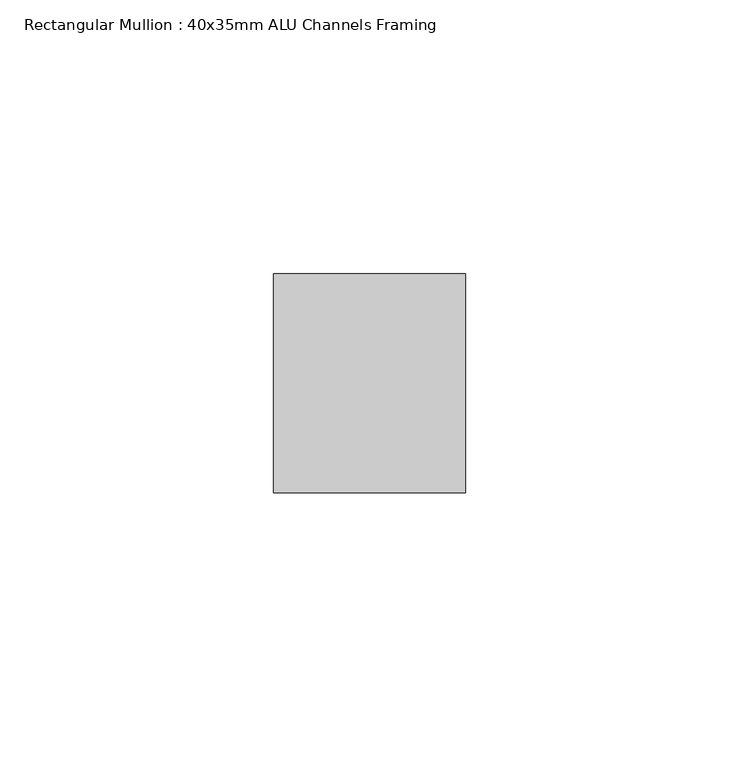
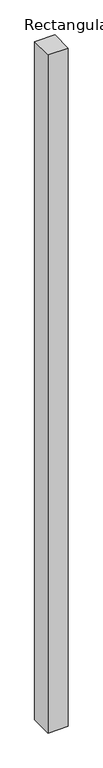
"""IFC4 building model written with IfcOpenShell, lengths in millimetres: member geometry, Rectangular Mullion : 40x35mm ALU Channels Framing."""

import ifcopenshell
import ifcopenshell.guid

model = None  # the IFC model being written
_history = None  # IfcOwnerHistory: only IFC2X3 demands one
_inside = {}  # id of a spatial element -> (the spatial element, [elements in it])
_under = {}  # id of a project, library or spatial element -> (it, [spatial elements below it])
_declared = {}  # id of a project -> (the project, [libraries it declares])
_typed = {}  # id of a type object -> (the type object, [elements of that type])
_made_of = {}  # id of a material, layer set ... -> (it, [elements and type objects made of it])


def new_model(schema):
    """Start an empty IFC model of exactly this schema.

    Asked for "IFC4X3", IfcOpenShell would pick the latest addendum, in which some entities
    have other attributes; the version numbers below select the first issue.
    IFC2X3 requires an IfcOwnerHistory on every rooted entity: one is made here for all.
    """
    global model, _history
    if schema == "IFC4X3":
        model = ifcopenshell.file(schema_version=(4, 3, 0, 0))
    else:
        model = ifcopenshell.file(schema=schema)
    _inside.clear()
    _under.clear()
    _declared.clear()
    _typed.clear()
    _made_of.clear()
    _history = None
    if model.schema == "IFC2X3":
        org = make("IfcOrganization", Name="unknown")
        user = make(
            "IfcPersonAndOrganization",
            ThePerson=make("IfcPerson", FamilyName="unknown"),
            TheOrganization=org,
        )
        app = make(
            "IfcApplication",
            ApplicationDeveloper=org,
            Version="unknown",
            ApplicationFullName="unknown",
            ApplicationIdentifier="unknown",
        )
        _history = make(
            "IfcOwnerHistory",
            OwningUser=user,
            OwningApplication=app,
            ChangeAction="ADDED",
            CreationDate=0,
        )
    return model


def make(cls, **values):
    """One entity of the class cls with the attributes given. An attribute that is None is left unset."""
    return model.create_entity(
        cls, **{name: value for name, value in values.items() if value is not None}
    )


def rooted(cls, **values):
    """An entity with a GlobalId (a new one), such as an element, a storey or a relation."""
    return make(cls, GlobalId=ifcopenshell.guid.new(), OwnerHistory=_history, **values)


def si_unit(unit_type, name, prefix=None):
    """IfcSIUnit, for example si_unit("LENGTHUNIT", "METRE", prefix="MILLI")."""
    return make("IfcSIUnit", UnitType=unit_type, Prefix=prefix, Name=name)


def assignment(units):
    """IfcUnitAssignment: the units of a project."""
    return None if units is None else make("IfcUnitAssignment", Units=units)


def point(xyz):
    """IfcCartesianPoint."""
    return None if xyz is None else make("IfcCartesianPoint", Coordinates=xyz)


def direction(xyz):
    """IfcDirection."""
    return None if xyz is None else make("IfcDirection", DirectionRatios=xyz)


def frame(location, z_axis=None, x_axis=None):
    """IfcAxis2Placement3D, a coordinate frame: its origin and axes. An axis left out is left unset."""
    return make(
        "IfcAxis2Placement3D",
        Location=point(location),
        Axis=direction(z_axis),
        RefDirection=direction(x_axis),
    )


def origin():
    """The frame at (0, 0, 0) with its axes left unset."""
    return frame((0.0, 0.0, 0.0))


def place(relative_to, where):
    """IfcLocalPlacement: puts the frame where relative to a parent placement (None: the world)."""
    return make(
        "IfcLocalPlacement", PlacementRelTo=relative_to, RelativePlacement=where
    )


def context(
    kind, dimensions, precision=None, world=None, true_north=None, identifier=None
):
    """IfcGeometricRepresentationContext, for example the 3D "Model" context."""
    return make(
        "IfcGeometricRepresentationContext",
        ContextIdentifier=identifier,
        ContextType=kind,
        CoordinateSpaceDimension=dimensions,
        Precision=precision,
        WorldCoordinateSystem=world,
        TrueNorth=true_north,
    )


def project(units=None, contexts=None):
    """IfcProject with its units and contexts."""
    return rooted(
        "IfcProject",
        Name="project",
        RepresentationContexts=contexts,
        UnitsInContext=assignment(units),
    )


def spatial(cls, under=None, at=None, **own):
    """A site, building, storey or space (cls), placed at a placement, below another one or the project."""
    s = rooted(cls, ObjectPlacement=at, **own)
    if under is not None:
        _under.setdefault(under.id(), (under, []))[1].append(s)
    return s


def polyline(points):
    """IfcPolyline through the points."""
    return make("IfcPolyline", Points=[point(p) for p in points])


def outline(outer, holes=None, kind="AREA"):
    """IfcArbitraryClosedProfileDef: a profile drawn as a closed curve; with holes, ...WithVoids."""
    if holes is None:
        return make("IfcArbitraryClosedProfileDef", ProfileType=kind, OuterCurve=outer)
    return make(
        "IfcArbitraryProfileDefWithVoids",
        ProfileType=kind,
        OuterCurve=outer,
        InnerCurves=holes,
    )


def extrude(swept, where, along, depth):
    """IfcExtrudedAreaSolid: the profile swept, set in the frame where, extruded along a direction by depth."""
    return make(
        "IfcExtrudedAreaSolid",
        SweptArea=swept,
        Position=where,
        ExtrudedDirection=direction(along),
        Depth=depth,
    )


def shape(context_of_items, identifier, shape_type, items):
    """IfcShapeRepresentation: the items that make up one representation, for example the "Body"."""
    return make(
        "IfcShapeRepresentation",
        ContextOfItems=context_of_items,
        RepresentationIdentifier=identifier,
        RepresentationType=shape_type,
        Items=items,
    )


def source(mapping_origin, context_of_items, identifier, shape_type, items):
    """IfcRepresentationMap: a shape defined once, which mapped items show again and again."""
    return make(
        "IfcRepresentationMap",
        MappingOrigin=mapping_origin,
        MappedRepresentation=shape(context_of_items, identifier, shape_type, items),
    )


def transform(
    local_origin,
    x_axis=None,
    y_axis=None,
    z_axis=None,
    scale=None,
    scale2=None,
    scale3=None,
    uniform=True,
):
    """IfcCartesianTransformationOperator3D, or its non-uniform kind. x_axis, y_axis, z_axis: its Axis1, 2, 3."""
    if uniform:
        return make(
            "IfcCartesianTransformationOperator3D",
            Axis1=direction(x_axis),
            Axis2=direction(y_axis),
            LocalOrigin=point(local_origin),
            Scale=scale,
            Axis3=direction(z_axis),
        )
    return make(
        "IfcCartesianTransformationOperator3DnonUniform",
        Axis1=direction(x_axis),
        Axis2=direction(y_axis),
        LocalOrigin=point(local_origin),
        Scale=scale,
        Axis3=direction(z_axis),
        Scale2=scale2,
        Scale3=scale3,
    )


def mapped(mapping_source, mapping_target):
    """IfcMappedItem: shows the shape of a source again, moved by a transform."""
    return make(
        "IfcMappedItem", MappingSource=mapping_source, MappingTarget=mapping_target
    )


def made_of(thing, what):
    """Note that an element or type object is made of a material, layer set ...; save() writes the relation."""
    if what is not None:
        _made_of.setdefault(what.id(), (what, []))[1].append(thing)
    return thing


def element(
    cls,
    number,
    at=None,
    inside=None,
    cuts=None,
    type_object=None,
    material=None,
    context=None,
    identifier="Body",
    shape_type=None,
    held_by="IfcProductDefinitionShape",
    body=None,
    shapes=None,
    **own,
):
    """One element of the class cls, such as IfcWall. Its Tag is "e" and its number.

    at: its placement. inside: the storey or other place that contains it. cuts: it is an
    opening in that element (IfcRelVoidsElement). A single representation is given by context,
    identifier, shape_type and body (its items); several are given by shapes. held_by: the class
    of the entity that holds the representations. save() writes the other relations.
    """
    e = rooted(cls, Tag="e%d" % number, ObjectPlacement=at, **own)
    if body is not None:
        shapes = [shape(context, identifier, shape_type, body)]
    if shapes is not None:
        e.Representation = make(held_by, Representations=shapes)
    if inside is not None:
        _inside.setdefault(inside.id(), (inside, []))[1].append(e)
    if cuts is not None:
        rooted(
            "IfcRelVoidsElement", RelatingBuildingElement=cuts, RelatedOpeningElement=e
        )
    if type_object is not None:
        _typed.setdefault(type_object.id(), (type_object, []))[1].append(e)
    return made_of(e, material)


def aggregate(whole, parts):
    """IfcRelAggregates: a whole, such as a stair, and the parts it consists of."""
    return rooted("IfcRelAggregates", RelatingObject=whole, RelatedObjects=parts)


def save(model, path):
    """Write the relations noted so far, then the file.

    IfcRelAggregates (storeys below a building ...), IfcRelContainedInSpatialStructure (elements
    in a storey), IfcRelDefinesByType, IfcRelAssociatesMaterial and IfcRelDeclares: one each for
    every whole, place, type object, material and project.
    """
    for whole, parts in _under.values():
        aggregate(whole, parts)
    for where, things in _inside.values():
        rooted(
            "IfcRelContainedInSpatialStructure",
            RelatedElements=things,
            RelatingStructure=where,
        )
    for kind, things in _typed.values():
        rooted("IfcRelDefinesByType", RelatedObjects=things, RelatingType=kind)
    for what, things in _made_of.values():
        rooted("IfcRelAssociatesMaterial", RelatedObjects=things, RelatingMaterial=what)
    for by, libraries in _declared.values():
        rooted("IfcRelDeclares", RelatingContext=by, RelatedDefinitions=libraries)
    model.write(path)


def rectangular_mullion_40x35mm_alu_channels_framing_9eba863e(model_context):
    return source(origin(), model_context, "Body", "SweptSolid", [
        extrude(outline(polyline([(17.5, 20.0), (17.5, -20.0), (-17.5, -20.0), (-17.5, 20.0), (17.5, 20.0)])), frame((0.0, 0.0, -1247.5), z_axis=(0.0, 0.0, 1.0), x_axis=(1.0, 0.0, 0.0)), (0.0, 0.0, 1.0), 1247.5),
    ])


if __name__ == "__main__":
    model = new_model("IFC4")
    model_context = context("Model", 3, world=origin())
    ifc_project = project(units=[si_unit("LENGTHUNIT", "METRE", prefix="MILLI")], contexts=[model_context])
    site = spatial("IfcSite", under=ifc_project)
    building = spatial("IfcBuilding", under=site)
    placement = place(None, origin())
    rectangular_mullion_40x35mm_alu_channels_framing_shape = rectangular_mullion_40x35mm_alu_channels_framing_9eba863e(model_context)
    element("IfcMember", 1, ObjectType="Rectangular Mullion : 40x35mm ALU Channels Framing", at=placement, inside=building, context=model_context, shape_type="MappedRepresentation", body=[
        mapped(rectangular_mullion_40x35mm_alu_channels_framing_shape, transform((0.0, 0.0, 0.0), x_axis=(1.0, 0.0, 0.0), y_axis=(0.0, 1.0, 0.0), z_axis=(0.0, 0.0, 1.0))),
    ])
    save(model, "model.ifc")
